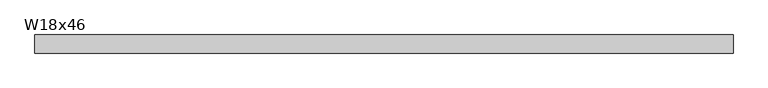
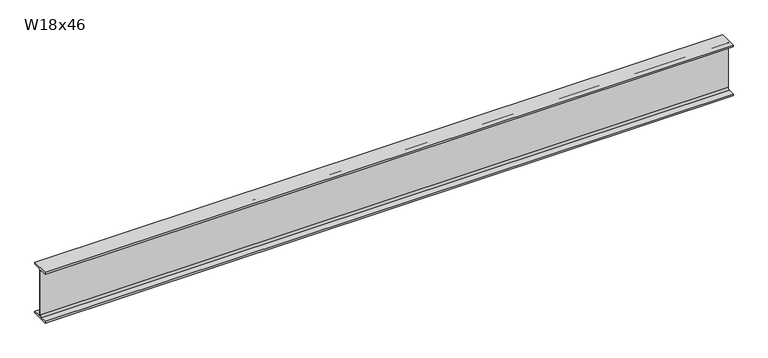
"""IFC4 building model written with IfcOpenShell, lengths in millimetres: beam geometry, W18x46."""

from ifc_helpers import new_model, si_unit, point, frame, frame_2d, origin, place, context, project, spatial, polyline, circle_curve, trimmed, segment, composite_curve, outline, extrude, source, transform, mapped, element, save


def w18x46_b0a6ef61(model_context):
    return source(origin(), model_context, "Body", "SweptSolid", [
        extrude(outline(composite_curve([segment(polyline([(76.962, -214.503), (76.962, -229.87), (-76.962, -229.87), (-76.962, -214.503), (-20.955, -214.503)]), True, "CONTINUOUS"), segment(trimmed(circle_curve(frame_2d((-20.955, -198.12)), 16.383), [point((-20.955, -214.503))], [point((-4.572, -198.12))], True, "CARTESIAN"), True, "CONTINUOUS"), segment(polyline([(-4.572, -198.12), (-4.572, 198.12)]), True, "CONTINUOUS"), segment(trimmed(circle_curve(frame_2d((-20.955, 198.12)), 16.383), [point((-4.572, 198.12))], [point((-20.955, 214.503))], True, "CARTESIAN"), True, "CONTINUOUS"), segment(polyline([(-20.955, 214.503), (-76.962, 214.503), (-76.962, 229.87), (76.962, 229.87), (76.962, 214.503), (20.955, 214.503)]), True, "CONTINUOUS"), segment(trimmed(circle_curve(frame_2d((20.955, 198.12)), 16.383), [point((20.955, 214.503))], [point((4.572, 198.12))], True, "CARTESIAN"), True, "CONTINUOUS"), segment(polyline([(4.572, 198.12), (4.572, -198.12)]), True, "CONTINUOUS"), segment(trimmed(circle_curve(frame_2d((20.955, -198.12)), 16.383), [point((4.572, -198.12))], [point((20.955, -214.503))], True, "CARTESIAN"), True, "CONTINUOUS"), segment(polyline([(20.955, -214.503), (76.962, -214.503)]), True, "CONTINUOUS")], self_intersect=False)), frame((-2970.1785913, 0.0, 0.0), z_axis=(1.0, 0.0, 0.0), x_axis=(0.0, 1.0, 0.0)), (0.0, 0.0, 1.0), 5913.9929508),
    ])


if __name__ == "__main__":
    model = new_model("IFC4")
    model_context = context("Model", 3, world=origin())
    ifc_project = project(units=[si_unit("LENGTHUNIT", "METRE", prefix="MILLI")], contexts=[model_context])
    site = spatial("IfcSite", under=ifc_project)
    building = spatial("IfcBuilding", under=site)
    placement = place(None, origin())
    w18x46_shape = w18x46_b0a6ef61(model_context)
    element("IfcBeam", 1, ObjectType="W18x46", at=placement, inside=building, context=model_context, shape_type="MappedRepresentation", body=[
        mapped(w18x46_shape, transform((0.0, 0.0, 0.0), x_axis=(1.0, 0.0, 0.0), y_axis=(0.0, 1.0, 0.0), z_axis=(0.0, 0.0, 1.0))),
    ])
    save(model, "model.ifc")
